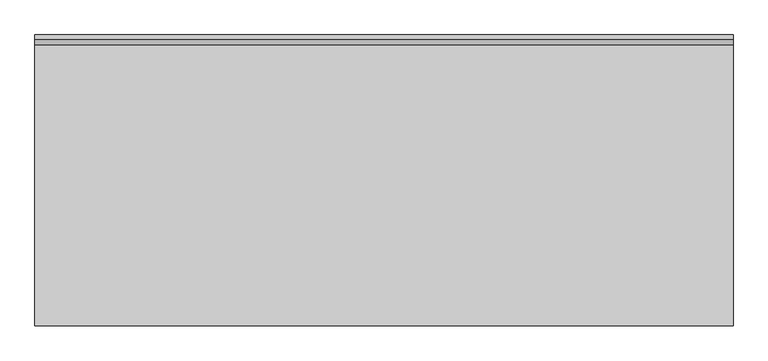
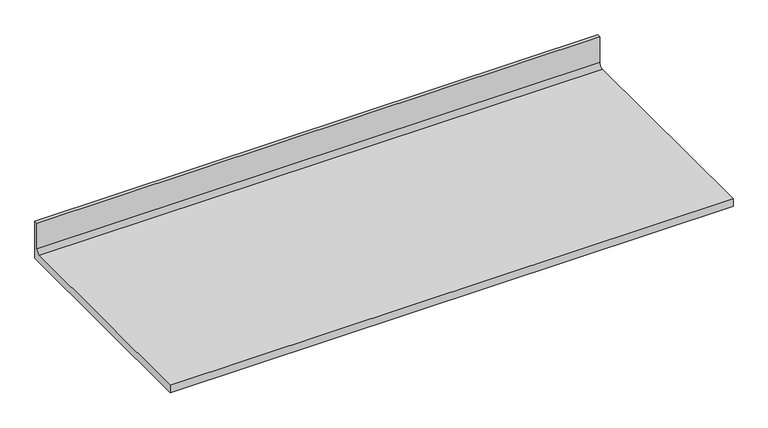
"""IFC4 building model written with IfcOpenShell, lengths in millimetres: furniture geometry."""

import ifcopenshell
import ifcopenshell.guid

model = None  # the IFC model being written
_history = None  # IfcOwnerHistory: only IFC2X3 demands one
_inside = {}  # id of a spatial element -> (the spatial element, [elements in it])
_under = {}  # id of a project, library or spatial element -> (it, [spatial elements below it])
_declared = {}  # id of a project -> (the project, [libraries it declares])
_typed = {}  # id of a type object -> (the type object, [elements of that type])
_made_of = {}  # id of a material, layer set ... -> (it, [elements and type objects made of it])


def new_model(schema):
    """Start an empty IFC model of exactly this schema.

    Asked for "IFC4X3", IfcOpenShell would pick the latest addendum, in which some entities
    have other attributes; the version numbers below select the first issue.
    IFC2X3 requires an IfcOwnerHistory on every rooted entity: one is made here for all.
    """
    global model, _history
    if schema == "IFC4X3":
        model = ifcopenshell.file(schema_version=(4, 3, 0, 0))
    else:
        model = ifcopenshell.file(schema=schema)
    _inside.clear()
    _under.clear()
    _declared.clear()
    _typed.clear()
    _made_of.clear()
    _history = None
    if model.schema == "IFC2X3":
        org = make("IfcOrganization", Name="unknown")
        user = make(
            "IfcPersonAndOrganization",
            ThePerson=make("IfcPerson", FamilyName="unknown"),
            TheOrganization=org,
        )
        app = make(
            "IfcApplication",
            ApplicationDeveloper=org,
            Version="unknown",
            ApplicationFullName="unknown",
            ApplicationIdentifier="unknown",
        )
        _history = make(
            "IfcOwnerHistory",
            OwningUser=user,
            OwningApplication=app,
            ChangeAction="ADDED",
            CreationDate=0,
        )
    return model


def make(cls, **values):
    """One entity of the class cls with the attributes given. An attribute that is None is left unset."""
    return model.create_entity(
        cls, **{name: value for name, value in values.items() if value is not None}
    )


def rooted(cls, **values):
    """An entity with a GlobalId (a new one), such as an element, a storey or a relation."""
    return make(cls, GlobalId=ifcopenshell.guid.new(), OwnerHistory=_history, **values)


def si_unit(unit_type, name, prefix=None):
    """IfcSIUnit, for example si_unit("LENGTHUNIT", "METRE", prefix="MILLI")."""
    return make("IfcSIUnit", UnitType=unit_type, Prefix=prefix, Name=name)


def assignment(units):
    """IfcUnitAssignment: the units of a project."""
    return None if units is None else make("IfcUnitAssignment", Units=units)


def point(xyz):
    """IfcCartesianPoint."""
    return None if xyz is None else make("IfcCartesianPoint", Coordinates=xyz)


def direction(xyz):
    """IfcDirection."""
    return None if xyz is None else make("IfcDirection", DirectionRatios=xyz)


def frame(location, z_axis=None, x_axis=None):
    """IfcAxis2Placement3D, a coordinate frame: its origin and axes. An axis left out is left unset."""
    return make(
        "IfcAxis2Placement3D",
        Location=point(location),
        Axis=direction(z_axis),
        RefDirection=direction(x_axis),
    )


def frame_2d(location, x_axis=None):
    """IfcAxis2Placement2D, a coordinate frame in the plane: its origin and x axis."""
    return make(
        "IfcAxis2Placement2D", Location=point(location), RefDirection=direction(x_axis)
    )


def origin():
    """The frame at (0, 0, 0) with its axes left unset."""
    return frame((0.0, 0.0, 0.0))


def place(relative_to, where):
    """IfcLocalPlacement: puts the frame where relative to a parent placement (None: the world)."""
    return make(
        "IfcLocalPlacement", PlacementRelTo=relative_to, RelativePlacement=where
    )


def context(
    kind, dimensions, precision=None, world=None, true_north=None, identifier=None
):
    """IfcGeometricRepresentationContext, for example the 3D "Model" context."""
    return make(
        "IfcGeometricRepresentationContext",
        ContextIdentifier=identifier,
        ContextType=kind,
        CoordinateSpaceDimension=dimensions,
        Precision=precision,
        WorldCoordinateSystem=world,
        TrueNorth=true_north,
    )


def project(units=None, contexts=None):
    """IfcProject with its units and contexts."""
    return rooted(
        "IfcProject",
        Name="project",
        RepresentationContexts=contexts,
        UnitsInContext=assignment(units),
    )


def spatial(cls, under=None, at=None, **own):
    """A site, building, storey or space (cls), placed at a placement, below another one or the project."""
    s = rooted(cls, ObjectPlacement=at, **own)
    if under is not None:
        _under.setdefault(under.id(), (under, []))[1].append(s)
    return s


def polyline(points):
    """IfcPolyline through the points."""
    return make("IfcPolyline", Points=[point(p) for p in points])


def circle_curve(where, radius):
    """IfcCircle in the frame where."""
    return make("IfcCircle", Position=where, Radius=radius)


def trimmed(basis, trim1, trim2, sense, master):
    """IfcTrimmedCurve: the piece of a basis curve between two trims."""
    return make(
        "IfcTrimmedCurve",
        BasisCurve=basis,
        Trim1=trim1,
        Trim2=trim2,
        SenseAgreement=sense,
        MasterRepresentation=master,
    )


def segment(curve, same_sense, transition):
    """IfcCompositeCurveSegment."""
    return make(
        "IfcCompositeCurveSegment",
        Transition=transition,
        SameSense=same_sense,
        ParentCurve=curve,
    )


def composite_curve(segments, self_intersect=None):
    """IfcCompositeCurve: segments joined end to end."""
    return make("IfcCompositeCurve", Segments=segments, SelfIntersect=self_intersect)


def outline(outer, holes=None, kind="AREA"):
    """IfcArbitraryClosedProfileDef: a profile drawn as a closed curve; with holes, ...WithVoids."""
    if holes is None:
        return make("IfcArbitraryClosedProfileDef", ProfileType=kind, OuterCurve=outer)
    return make(
        "IfcArbitraryProfileDefWithVoids",
        ProfileType=kind,
        OuterCurve=outer,
        InnerCurves=holes,
    )


def extrude(swept, where, along, depth):
    """IfcExtrudedAreaSolid: the profile swept, set in the frame where, extruded along a direction by depth."""
    return make(
        "IfcExtrudedAreaSolid",
        SweptArea=swept,
        Position=where,
        ExtrudedDirection=direction(along),
        Depth=depth,
    )


def shape(context_of_items, identifier, shape_type, items):
    """IfcShapeRepresentation: the items that make up one representation, for example the "Body"."""
    return make(
        "IfcShapeRepresentation",
        ContextOfItems=context_of_items,
        RepresentationIdentifier=identifier,
        RepresentationType=shape_type,
        Items=items,
    )


def source(mapping_origin, context_of_items, identifier, shape_type, items):
    """IfcRepresentationMap: a shape defined once, which mapped items show again and again."""
    return make(
        "IfcRepresentationMap",
        MappingOrigin=mapping_origin,
        MappedRepresentation=shape(context_of_items, identifier, shape_type, items),
    )


def transform(
    local_origin,
    x_axis=None,
    y_axis=None,
    z_axis=None,
    scale=None,
    scale2=None,
    scale3=None,
    uniform=True,
):
    """IfcCartesianTransformationOperator3D, or its non-uniform kind. x_axis, y_axis, z_axis: its Axis1, 2, 3."""
    if uniform:
        return make(
            "IfcCartesianTransformationOperator3D",
            Axis1=direction(x_axis),
            Axis2=direction(y_axis),
            LocalOrigin=point(local_origin),
            Scale=scale,
            Axis3=direction(z_axis),
        )
    return make(
        "IfcCartesianTransformationOperator3DnonUniform",
        Axis1=direction(x_axis),
        Axis2=direction(y_axis),
        LocalOrigin=point(local_origin),
        Scale=scale,
        Axis3=direction(z_axis),
        Scale2=scale2,
        Scale3=scale3,
    )


def mapped(mapping_source, mapping_target):
    """IfcMappedItem: shows the shape of a source again, moved by a transform."""
    return make(
        "IfcMappedItem", MappingSource=mapping_source, MappingTarget=mapping_target
    )


def made_of(thing, what):
    """Note that an element or type object is made of a material, layer set ...; save() writes the relation."""
    if what is not None:
        _made_of.setdefault(what.id(), (what, []))[1].append(thing)
    return thing


def element(
    cls,
    number,
    at=None,
    inside=None,
    cuts=None,
    type_object=None,
    material=None,
    context=None,
    identifier="Body",
    shape_type=None,
    held_by="IfcProductDefinitionShape",
    body=None,
    shapes=None,
    **own,
):
    """One element of the class cls, such as IfcWall. Its Tag is "e" and its number.

    at: its placement. inside: the storey or other place that contains it. cuts: it is an
    opening in that element (IfcRelVoidsElement). A single representation is given by context,
    identifier, shape_type and body (its items); several are given by shapes. held_by: the class
    of the entity that holds the representations. save() writes the other relations.
    """
    e = rooted(cls, Tag="e%d" % number, ObjectPlacement=at, **own)
    if body is not None:
        shapes = [shape(context, identifier, shape_type, body)]
    if shapes is not None:
        e.Representation = make(held_by, Representations=shapes)
    if inside is not None:
        _inside.setdefault(inside.id(), (inside, []))[1].append(e)
    if cuts is not None:
        rooted(
            "IfcRelVoidsElement", RelatingBuildingElement=cuts, RelatedOpeningElement=e
        )
    if type_object is not None:
        _typed.setdefault(type_object.id(), (type_object, []))[1].append(e)
    return made_of(e, material)


def aggregate(whole, parts):
    """IfcRelAggregates: a whole, such as a stair, and the parts it consists of."""
    return rooted("IfcRelAggregates", RelatingObject=whole, RelatedObjects=parts)


def save(model, path):
    """Write the relations noted so far, then the file.

    IfcRelAggregates (storeys below a building ...), IfcRelContainedInSpatialStructure (elements
    in a storey), IfcRelDefinesByType, IfcRelAssociatesMaterial and IfcRelDeclares: one each for
    every whole, place, type object, material and project.
    """
    for whole, parts in _under.values():
        aggregate(whole, parts)
    for where, things in _inside.values():
        rooted(
            "IfcRelContainedInSpatialStructure",
            RelatedElements=things,
            RelatingStructure=where,
        )
    for kind, things in _typed.values():
        rooted("IfcRelDefinesByType", RelatedObjects=things, RelatingType=kind)
    for what, things in _made_of.values():
        rooted("IfcRelAssociatesMaterial", RelatedObjects=things, RelatingMaterial=what)
    for by, libraries in _declared.values():
        rooted("IfcRelDeclares", RelatingContext=by, RelatedDefinitions=libraries)
    model.write(path)


def furniture_98868ee6(model_context):
    return source(origin(), model_context, "Body", "SweptSolid", [
        extrude(outline(composite_curve([segment(polyline([(0.0, 889.0), (-762.0, 889.0), (-762.0, 914.4), (-25.8191, 914.4)]), True, "CONTINUOUS"), segment(trimmed(circle_curve(frame_2d((-25.8191, 929.1066)), 14.7066), [point((-25.8191, 914.4))], [point((-11.1125, 929.1066))], True, "CARTESIAN"), True, "CONTINUOUS"), segment(polyline([(-11.1125, 929.1066), (-11.1125, 1016.0), (0.0, 1016.0), (0.0, 889.0)]), True, "CONTINUOUS")], self_intersect=False)), frame((0.0, 0.0, 0.0), z_axis=(1.0, 0.0, 0.0), x_axis=(0.0, 1.0, 0.0)), (0.0, 0.0, 1.0), 1828.8),
    ])


if __name__ == "__main__":
    model = new_model("IFC4")
    model_context = context("Model", 3, world=origin())
    ifc_project = project(units=[si_unit("LENGTHUNIT", "METRE", prefix="MILLI")], contexts=[model_context])
    site = spatial("IfcSite", under=ifc_project)
    building = spatial("IfcBuilding", under=site)
    placement = place(None, origin())
    furniture_shape = furniture_98868ee6(model_context)
    element("IfcFurniture", 1, at=placement, inside=building, context=model_context, shape_type="MappedRepresentation", body=[
        mapped(furniture_shape, transform((0.0, 0.0, 0.0), x_axis=(1.0, 0.0, 0.0), y_axis=(0.0, 1.0, 0.0), z_axis=(0.0, 0.0, 1.0))),
    ])
    save(model, "model.ifc")
